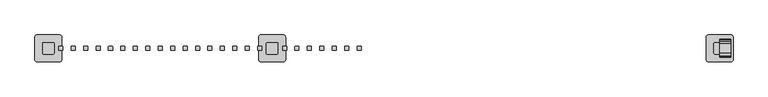
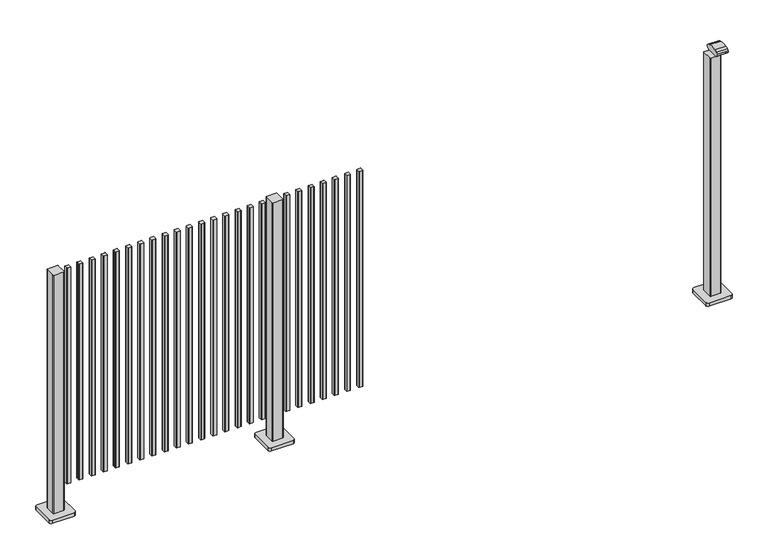
"""IFC4 building model written with IfcOpenShell, lengths in millimetres: railing geometry."""

from ifc_helpers import new_model, si_unit, point, frame, frame_2d, origin, origin_with_axes, place, context, project, spatial, polyline, circle_curve, trimmed, segment, composite_curve, outline, extrude, source, transform, mapped, element, save


def railing_bec77b66(model_context):
    return source(origin(), model_context, "Body", "SweptSolid", [
        extrude(outline(composite_curve([segment(trimmed(circle_curve(frame_2d((5112.6835799, 9093.4508236)), 1.4), [point((5111.2835799, 9093.4508236))], [point((5112.6835799, 9094.8508236))], False, "CARTESIAN"), True, "CONTINUOUS"), segment(polyline([(5112.6835799, 9094.8508236), (5127.8835829, 9094.8508236)]), True, "CONTINUOUS"), segment(trimmed(circle_curve(frame_2d((5127.8835829, 9093.4508236)), 1.4), [point((5127.8835829, 9094.8508236))], [point((5129.2835829, 9093.4508236))], False, "CARTESIAN"), True, "CONTINUOUS"), segment(polyline([(5129.2835829, 9093.4508236), (5129.2835829, 9078.2507846)]), True, "CONTINUOUS"), segment(trimmed(circle_curve(frame_2d((5127.8835829, 9078.2507846)), 1.4), [point((5129.2835829, 9078.2507846))], [point((5127.8835829, 9076.8507846))], False, "CARTESIAN"), True, "CONTINUOUS"), segment(polyline([(5127.8835829, 9076.8507846), (5112.6835799, 9076.8507846)]), True, "CONTINUOUS"), segment(trimmed(circle_curve(frame_2d((5112.6835799, 9078.2507846)), 1.4), [point((5112.6835799, 9076.8507846))], [point((5111.2835799, 9078.2507846))], False, "CARTESIAN"), True, "CONTINUOUS"), segment(polyline([(5111.2835799, 9078.2507846), (5111.2835799, 9093.4508236)]), True, "CONTINUOUS")], self_intersect=False)), frame((0.0, 0.0, 125.0), z_axis=(0.0, 0.0, 1.0), x_axis=(1.0, 0.0, 0.0)), (0.0, 0.0, 1.0), 1043.1238517),
        extrude(outline(composite_curve([segment(trimmed(circle_curve(frame_2d((5057.1280244, 9093.4508236)), 1.4), [point((5055.7280244, 9093.4508236))], [point((5057.1280244, 9094.8508236))], False, "CARTESIAN"), True, "CONTINUOUS"), segment(polyline([(5057.1280244, 9094.8508236), (5072.3280274, 9094.8508236)]), True, "CONTINUOUS"), segment(trimmed(circle_curve(frame_2d((5072.3280274, 9093.4508236)), 1.4), [point((5072.3280274, 9094.8508236))], [point((5073.7280274, 9093.4508236))], False, "CARTESIAN"), True, "CONTINUOUS"), segment(polyline([(5073.7280274, 9093.4508236), (5073.7280274, 9078.2507846)]), True, "CONTINUOUS"), segment(trimmed(circle_curve(frame_2d((5072.3280274, 9078.2507846)), 1.4), [point((5073.7280274, 9078.2507846))], [point((5072.3280274, 9076.8507846))], False, "CARTESIAN"), True, "CONTINUOUS"), segment(polyline([(5072.3280274, 9076.8507846), (5057.1280244, 9076.8507846)]), True, "CONTINUOUS"), segment(trimmed(circle_curve(frame_2d((5057.1280244, 9078.2507846)), 1.4), [point((5057.1280244, 9076.8507846))], [point((5055.7280244, 9078.2507846))], False, "CARTESIAN"), True, "CONTINUOUS"), segment(polyline([(5055.7280244, 9078.2507846), (5055.7280244, 9093.4508236)]), True, "CONTINUOUS")], self_intersect=False)), frame((0.0, 0.0, 125.0), z_axis=(0.0, 0.0, 1.0), x_axis=(1.0, 0.0, 0.0)), (0.0, 0.0, 1.0), 1043.1238517),
        extrude(outline(composite_curve([segment(trimmed(circle_curve(frame_2d((5001.5724688, 9093.4508236)), 1.4), [point((5000.1724688, 9093.4508236))], [point((5001.5724688, 9094.8508236))], False, "CARTESIAN"), True, "CONTINUOUS"), segment(polyline([(5001.5724688, 9094.8508236), (5016.7724718, 9094.8508236)]), True, "CONTINUOUS"), segment(trimmed(circle_curve(frame_2d((5016.7724718, 9093.4508236)), 1.4), [point((5016.7724718, 9094.8508236))], [point((5018.1724718, 9093.4508236))], False, "CARTESIAN"), True, "CONTINUOUS"), segment(polyline([(5018.1724718, 9093.4508236), (5018.1724718, 9078.2507846)]), True, "CONTINUOUS"), segment(trimmed(circle_curve(frame_2d((5016.7724718, 9078.2507846)), 1.4), [point((5018.1724718, 9078.2507846))], [point((5016.7724718, 9076.8507846))], False, "CARTESIAN"), True, "CONTINUOUS"), segment(polyline([(5016.7724718, 9076.8507846), (5001.5724688, 9076.8507846)]), True, "CONTINUOUS"), segment(trimmed(circle_curve(frame_2d((5001.5724688, 9078.2507846)), 1.4), [point((5001.5724688, 9076.8507846))], [point((5000.1724688, 9078.2507846))], False, "CARTESIAN"), True, "CONTINUOUS"), segment(polyline([(5000.1724688, 9078.2507846), (5000.1724688, 9093.4508236)]), True, "CONTINUOUS")], self_intersect=False)), frame((0.0, 0.0, 125.0), z_axis=(0.0, 0.0, 1.0), x_axis=(1.0, 0.0, 0.0)), (0.0, 0.0, 1.0), 1043.1238517),
        extrude(outline(composite_curve([segment(trimmed(circle_curve(frame_2d((4946.0169133, 9093.4508236)), 1.4), [point((4944.6169133, 9093.4508236))], [point((4946.0169133, 9094.8508236))], False, "CARTESIAN"), True, "CONTINUOUS"), segment(polyline([(4946.0169133, 9094.8508236), (4961.2169163, 9094.8508236)]), True, "CONTINUOUS"), segment(trimmed(circle_curve(frame_2d((4961.2169163, 9093.4508236)), 1.4), [point((4961.2169163, 9094.8508236))], [point((4962.6169163, 9093.4508236))], False, "CARTESIAN"), True, "CONTINUOUS"), segment(polyline([(4962.6169163, 9093.4508236), (4962.6169163, 9078.2507846)]), True, "CONTINUOUS"), segment(trimmed(circle_curve(frame_2d((4961.2169163, 9078.2507846)), 1.4), [point((4962.6169163, 9078.2507846))], [point((4961.2169163, 9076.8507846))], False, "CARTESIAN"), True, "CONTINUOUS"), segment(polyline([(4961.2169163, 9076.8507846), (4946.0169133, 9076.8507846)]), True, "CONTINUOUS"), segment(trimmed(circle_curve(frame_2d((4946.0169133, 9078.2507846)), 1.4), [point((4946.0169133, 9076.8507846))], [point((4944.6169133, 9078.2507846))], False, "CARTESIAN"), True, "CONTINUOUS"), segment(polyline([(4944.6169133, 9078.2507846), (4944.6169133, 9093.4508236)]), True, "CONTINUOUS")], self_intersect=False)), frame((0.0, 0.0, 125.0), z_axis=(0.0, 0.0, 1.0), x_axis=(1.0, 0.0, 0.0)), (0.0, 0.0, 1.0), 1043.1238517),
        extrude(outline(composite_curve([segment(trimmed(circle_curve(frame_2d((4890.4613577, 9093.4508236)), 1.4), [point((4889.0613577, 9093.4508236))], [point((4890.4613577, 9094.8508236))], False, "CARTESIAN"), True, "CONTINUOUS"), segment(polyline([(4890.4613577, 9094.8508236), (4905.6613607, 9094.8508236)]), True, "CONTINUOUS"), segment(trimmed(circle_curve(frame_2d((4905.6613607, 9093.4508236)), 1.4), [point((4905.6613607, 9094.8508236))], [point((4907.0613607, 9093.4508236))], False, "CARTESIAN"), True, "CONTINUOUS"), segment(polyline([(4907.0613607, 9093.4508236), (4907.0613607, 9078.2507846)]), True, "CONTINUOUS"), segment(trimmed(circle_curve(frame_2d((4905.6613607, 9078.2507846)), 1.4), [point((4907.0613607, 9078.2507846))], [point((4905.6613607, 9076.8507846))], False, "CARTESIAN"), True, "CONTINUOUS"), segment(polyline([(4905.6613607, 9076.8507846), (4890.4613577, 9076.8507846)]), True, "CONTINUOUS"), segment(trimmed(circle_curve(frame_2d((4890.4613577, 9078.2507846)), 1.4), [point((4890.4613577, 9076.8507846))], [point((4889.0613577, 9078.2507846))], False, "CARTESIAN"), True, "CONTINUOUS"), segment(polyline([(4889.0613577, 9078.2507846), (4889.0613577, 9093.4508236)]), True, "CONTINUOUS")], self_intersect=False)), frame((0.0, 0.0, 125.0), z_axis=(0.0, 0.0, 1.0), x_axis=(1.0, 0.0, 0.0)), (0.0, 0.0, 1.0), 1043.1238517),
        extrude(outline(composite_curve([segment(trimmed(circle_curve(frame_2d((4834.9058021, 9093.4508236)), 1.4), [point((4833.5058021, 9093.4508236))], [point((4834.9058021, 9094.8508236))], False, "CARTESIAN"), True, "CONTINUOUS"), segment(polyline([(4834.9058021, 9094.8508236), (4850.1058051, 9094.8508236)]), True, "CONTINUOUS"), segment(trimmed(circle_curve(frame_2d((4850.1058051, 9093.4508236)), 1.4), [point((4850.1058051, 9094.8508236))], [point((4851.5058051, 9093.4508236))], False, "CARTESIAN"), True, "CONTINUOUS"), segment(polyline([(4851.5058051, 9093.4508236), (4851.5058051, 9078.2507846)]), True, "CONTINUOUS"), segment(trimmed(circle_curve(frame_2d((4850.1058051, 9078.2507846)), 1.4), [point((4851.5058051, 9078.2507846))], [point((4850.1058051, 9076.8507846))], False, "CARTESIAN"), True, "CONTINUOUS"), segment(polyline([(4850.1058051, 9076.8507846), (4834.9058021, 9076.8507846)]), True, "CONTINUOUS"), segment(trimmed(circle_curve(frame_2d((4834.9058021, 9078.2507846)), 1.4), [point((4834.9058021, 9076.8507846))], [point((4833.5058021, 9078.2507846))], False, "CARTESIAN"), True, "CONTINUOUS"), segment(polyline([(4833.5058021, 9078.2507846), (4833.5058021, 9093.4508236)]), True, "CONTINUOUS")], self_intersect=False)), frame((0.0, 0.0, 125.0), z_axis=(0.0, 0.0, 1.0), x_axis=(1.0, 0.0, 0.0)), (0.0, 0.0, 1.0), 1043.1238517),
        extrude(outline(composite_curve([segment(trimmed(circle_curve(frame_2d((4779.3502466, 9093.4508236)), 1.4), [point((4777.9502466, 9093.4508236))], [point((4779.3502466, 9094.8508236))], False, "CARTESIAN"), True, "CONTINUOUS"), segment(polyline([(4779.3502466, 9094.8508236), (4794.5502496, 9094.8508236)]), True, "CONTINUOUS"), segment(trimmed(circle_curve(frame_2d((4794.5502496, 9093.4508236)), 1.4), [point((4794.5502496, 9094.8508236))], [point((4795.9502496, 9093.4508236))], False, "CARTESIAN"), True, "CONTINUOUS"), segment(polyline([(4795.9502496, 9093.4508236), (4795.9502496, 9078.2507846)]), True, "CONTINUOUS"), segment(trimmed(circle_curve(frame_2d((4794.5502496, 9078.2507846)), 1.4), [point((4795.9502496, 9078.2507846))], [point((4794.5502496, 9076.8507846))], False, "CARTESIAN"), True, "CONTINUOUS"), segment(polyline([(4794.5502496, 9076.8507846), (4779.3502466, 9076.8507846)]), True, "CONTINUOUS"), segment(trimmed(circle_curve(frame_2d((4779.3502466, 9078.2507846)), 1.4), [point((4779.3502466, 9076.8507846))], [point((4777.9502466, 9078.2507846))], False, "CARTESIAN"), True, "CONTINUOUS"), segment(polyline([(4777.9502466, 9078.2507846), (4777.9502466, 9093.4508236)]), True, "CONTINUOUS")], self_intersect=False)), frame((0.0, 0.0, 125.0), z_axis=(0.0, 0.0, 1.0), x_axis=(1.0, 0.0, 0.0)), (0.0, 0.0, 1.0), 1043.1238517),
        extrude(outline(composite_curve([segment(trimmed(circle_curve(frame_2d((4708.994681, 9108.2508266)), 3.0), [point((4705.994681, 9108.2508266))], [point((4708.994681, 9111.2508266))], False, "CARTESIAN"), True, "CONTINUOUS"), segment(polyline([(4708.994681, 9111.2508266), (4753.794704, 9111.2508266)]), True, "CONTINUOUS"), segment(trimmed(circle_curve(frame_2d((4753.794704, 9108.2508266)), 3.0), [point((4753.794704, 9111.2508266))], [point((4756.794704, 9108.2508266))], False, "CARTESIAN"), True, "CONTINUOUS"), segment(polyline([(4756.794704, 9108.2508266), (4756.794704, 9063.4508036)]), True, "CONTINUOUS"), segment(trimmed(circle_curve(frame_2d((4753.794704, 9063.4508036)), 3.0), [point((4756.794704, 9063.4508036))], [point((4753.794704, 9060.4508036))], False, "CARTESIAN"), True, "CONTINUOUS"), segment(polyline([(4753.794704, 9060.4508036), (4708.994681, 9060.4508036)]), True, "CONTINUOUS"), segment(trimmed(circle_curve(frame_2d((4708.994681, 9063.4508036)), 3.0), [point((4708.994681, 9060.4508036))], [point((4705.994681, 9063.4508036))], False, "CARTESIAN"), True, "CONTINUOUS"), segment(polyline([(4705.994681, 9063.4508036), (4705.994681, 9108.2508266)]), True, "CONTINUOUS")], self_intersect=False)), frame((0.0, 0.0, 16.0), z_axis=(0.0, 0.0, 1.0), x_axis=(1.0, 0.0, 0.0)), (0.0, 0.0, 1.0), 1152.1238517),
        extrude(outline(composite_curve([segment(trimmed(circle_curve(frame_2d((4681.394681, 9135.8508151)), 10.0), [point((4671.394681, 9135.8508151))], [point((4681.394681, 9145.8508151))], False, "CARTESIAN"), True, "CONTINUOUS"), segment(polyline([(4681.394681, 9145.8508151), (4781.394681, 9145.8508151)]), True, "CONTINUOUS"), segment(trimmed(circle_curve(frame_2d((4781.394681, 9135.8508151)), 10.0), [point((4781.394681, 9145.8508151))], [point((4791.394681, 9135.8508151))], False, "CARTESIAN"), True, "CONTINUOUS"), segment(polyline([(4791.394681, 9135.8508151), (4791.394681, 9035.8508151)]), True, "CONTINUOUS"), segment(trimmed(circle_curve(frame_2d((4781.394681, 9035.8508151)), 10.0), [point((4791.394681, 9035.8508151))], [point((4781.394681, 9025.8508151))], False, "CARTESIAN"), True, "CONTINUOUS"), segment(polyline([(4781.394681, 9025.8508151), (4681.394681, 9025.8508151)]), True, "CONTINUOUS"), segment(trimmed(circle_curve(frame_2d((4681.394681, 9035.8508151)), 10.0), [point((4681.394681, 9025.8508151))], [point((4671.394681, 9035.8508151))], False, "CARTESIAN"), True, "CONTINUOUS"), segment(polyline([(4671.394681, 9035.8508151), (4671.394681, 9135.8508151)]), True, "CONTINUOUS")], self_intersect=False)), origin_with_axes(), (0.0, 0.0, 1.0), 16.0),
        extrude(outline(composite_curve([segment(trimmed(circle_curve(frame_2d((4668.2391355, 9093.4508236)), 1.4), [point((4666.8391355, 9093.4508236))], [point((4668.2391355, 9094.8508236))], False, "CARTESIAN"), True, "CONTINUOUS"), segment(polyline([(4668.2391355, 9094.8508236), (4683.4391385, 9094.8508236)]), True, "CONTINUOUS"), segment(trimmed(circle_curve(frame_2d((4683.4391385, 9093.4508236)), 1.4), [point((4683.4391385, 9094.8508236))], [point((4684.8391385, 9093.4508236))], False, "CARTESIAN"), True, "CONTINUOUS"), segment(polyline([(4684.8391385, 9093.4508236), (4684.8391385, 9078.2507846)]), True, "CONTINUOUS"), segment(trimmed(circle_curve(frame_2d((4683.4391385, 9078.2507846)), 1.4), [point((4684.8391385, 9078.2507846))], [point((4683.4391385, 9076.8507846))], False, "CARTESIAN"), True, "CONTINUOUS"), segment(polyline([(4683.4391385, 9076.8507846), (4668.2391355, 9076.8507846)]), True, "CONTINUOUS"), segment(trimmed(circle_curve(frame_2d((4668.2391355, 9078.2507846)), 1.4), [point((4668.2391355, 9076.8507846))], [point((4666.8391355, 9078.2507846))], False, "CARTESIAN"), True, "CONTINUOUS"), segment(polyline([(4666.8391355, 9078.2507846), (4666.8391355, 9093.4508236)]), True, "CONTINUOUS")], self_intersect=False)), frame((0.0, 0.0, 125.0), z_axis=(0.0, 0.0, 1.0), x_axis=(1.0, 0.0, 0.0)), (0.0, 0.0, 1.0), 1043.1238517),
        extrude(outline(composite_curve([segment(trimmed(circle_curve(frame_2d((4612.6835799, 9093.4508236)), 1.4), [point((4611.2835799, 9093.4508236))], [point((4612.6835799, 9094.8508236))], False, "CARTESIAN"), True, "CONTINUOUS"), segment(polyline([(4612.6835799, 9094.8508236), (4627.8835829, 9094.8508236)]), True, "CONTINUOUS"), segment(trimmed(circle_curve(frame_2d((4627.8835829, 9093.4508236)), 1.4), [point((4627.8835829, 9094.8508236))], [point((4629.2835829, 9093.4508236))], False, "CARTESIAN"), True, "CONTINUOUS"), segment(polyline([(4629.2835829, 9093.4508236), (4629.2835829, 9078.2507846)]), True, "CONTINUOUS"), segment(trimmed(circle_curve(frame_2d((4627.8835829, 9078.2507846)), 1.4), [point((4629.2835829, 9078.2507846))], [point((4627.8835829, 9076.8507846))], False, "CARTESIAN"), True, "CONTINUOUS"), segment(polyline([(4627.8835829, 9076.8507846), (4612.6835799, 9076.8507846)]), True, "CONTINUOUS"), segment(trimmed(circle_curve(frame_2d((4612.6835799, 9078.2507846)), 1.4), [point((4612.6835799, 9076.8507846))], [point((4611.2835799, 9078.2507846))], False, "CARTESIAN"), True, "CONTINUOUS"), segment(polyline([(4611.2835799, 9078.2507846), (4611.2835799, 9093.4508236)]), True, "CONTINUOUS")], self_intersect=False)), frame((0.0, 0.0, 125.0), z_axis=(0.0, 0.0, 1.0), x_axis=(1.0, 0.0, 0.0)), (0.0, 0.0, 1.0), 1043.1238517),
        extrude(outline(composite_curve([segment(trimmed(circle_curve(frame_2d((4557.1280244, 9093.4508236)), 1.4), [point((4555.7280244, 9093.4508236))], [point((4557.1280244, 9094.8508236))], False, "CARTESIAN"), True, "CONTINUOUS"), segment(polyline([(4557.1280244, 9094.8508236), (4572.3280274, 9094.8508236)]), True, "CONTINUOUS"), segment(trimmed(circle_curve(frame_2d((4572.3280274, 9093.4508236)), 1.4), [point((4572.3280274, 9094.8508236))], [point((4573.7280274, 9093.4508236))], False, "CARTESIAN"), True, "CONTINUOUS"), segment(polyline([(4573.7280274, 9093.4508236), (4573.7280274, 9078.2507846)]), True, "CONTINUOUS"), segment(trimmed(circle_curve(frame_2d((4572.3280274, 9078.2507846)), 1.4), [point((4573.7280274, 9078.2507846))], [point((4572.3280274, 9076.8507846))], False, "CARTESIAN"), True, "CONTINUOUS"), segment(polyline([(4572.3280274, 9076.8507846), (4557.1280244, 9076.8507846)]), True, "CONTINUOUS"), segment(trimmed(circle_curve(frame_2d((4557.1280244, 9078.2507846)), 1.4), [point((4557.1280244, 9076.8507846))], [point((4555.7280244, 9078.2507846))], False, "CARTESIAN"), True, "CONTINUOUS"), segment(polyline([(4555.7280244, 9078.2507846), (4555.7280244, 9093.4508236)]), True, "CONTINUOUS")], self_intersect=False)), frame((0.0, 0.0, 125.0), z_axis=(0.0, 0.0, 1.0), x_axis=(1.0, 0.0, 0.0)), (0.0, 0.0, 1.0), 1043.1238517),
        extrude(outline(composite_curve([segment(trimmed(circle_curve(frame_2d((4501.5724688, 9093.4508236)), 1.4), [point((4500.1724688, 9093.4508236))], [point((4501.5724688, 9094.8508236))], False, "CARTESIAN"), True, "CONTINUOUS"), segment(polyline([(4501.5724688, 9094.8508236), (4516.7724718, 9094.8508236)]), True, "CONTINUOUS"), segment(trimmed(circle_curve(frame_2d((4516.7724718, 9093.4508236)), 1.4), [point((4516.7724718, 9094.8508236))], [point((4518.1724718, 9093.4508236))], False, "CARTESIAN"), True, "CONTINUOUS"), segment(polyline([(4518.1724718, 9093.4508236), (4518.1724718, 9078.2507846)]), True, "CONTINUOUS"), segment(trimmed(circle_curve(frame_2d((4516.7724718, 9078.2507846)), 1.4), [point((4518.1724718, 9078.2507846))], [point((4516.7724718, 9076.8507846))], False, "CARTESIAN"), True, "CONTINUOUS"), segment(polyline([(4516.7724718, 9076.8507846), (4501.5724688, 9076.8507846)]), True, "CONTINUOUS"), segment(trimmed(circle_curve(frame_2d((4501.5724688, 9078.2507846)), 1.4), [point((4501.5724688, 9076.8507846))], [point((4500.1724688, 9078.2507846))], False, "CARTESIAN"), True, "CONTINUOUS"), segment(polyline([(4500.1724688, 9078.2507846), (4500.1724688, 9093.4508236)]), True, "CONTINUOUS")], self_intersect=False)), frame((0.0, 0.0, 125.0), z_axis=(0.0, 0.0, 1.0), x_axis=(1.0, 0.0, 0.0)), (0.0, 0.0, 1.0), 1043.1238517),
        extrude(outline(composite_curve([segment(trimmed(circle_curve(frame_2d((4446.0169133, 9093.4508236)), 1.4), [point((4444.6169133, 9093.4508236))], [point((4446.0169133, 9094.8508236))], False, "CARTESIAN"), True, "CONTINUOUS"), segment(polyline([(4446.0169133, 9094.8508236), (4461.2169163, 9094.8508236)]), True, "CONTINUOUS"), segment(trimmed(circle_curve(frame_2d((4461.2169163, 9093.4508236)), 1.4), [point((4461.2169163, 9094.8508236))], [point((4462.6169163, 9093.4508236))], False, "CARTESIAN"), True, "CONTINUOUS"), segment(polyline([(4462.6169163, 9093.4508236), (4462.6169163, 9078.2507846)]), True, "CONTINUOUS"), segment(trimmed(circle_curve(frame_2d((4461.2169163, 9078.2507846)), 1.4), [point((4462.6169163, 9078.2507846))], [point((4461.2169163, 9076.8507846))], False, "CARTESIAN"), True, "CONTINUOUS"), segment(polyline([(4461.2169163, 9076.8507846), (4446.0169133, 9076.8507846)]), True, "CONTINUOUS"), segment(trimmed(circle_curve(frame_2d((4446.0169133, 9078.2507846)), 1.4), [point((4446.0169133, 9076.8507846))], [point((4444.6169133, 9078.2507846))], False, "CARTESIAN"), True, "CONTINUOUS"), segment(polyline([(4444.6169133, 9078.2507846), (4444.6169133, 9093.4508236)]), True, "CONTINUOUS")], self_intersect=False)), frame((0.0, 0.0, 125.0), z_axis=(0.0, 0.0, 1.0), x_axis=(1.0, 0.0, 0.0)), (0.0, 0.0, 1.0), 1043.1238517),
        extrude(outline(composite_curve([segment(trimmed(circle_curve(frame_2d((4390.4613577, 9093.4508236)), 1.4), [point((4389.0613577, 9093.4508236))], [point((4390.4613577, 9094.8508236))], False, "CARTESIAN"), True, "CONTINUOUS"), segment(polyline([(4390.4613577, 9094.8508236), (4405.6613607, 9094.8508236)]), True, "CONTINUOUS"), segment(trimmed(circle_curve(frame_2d((4405.6613607, 9093.4508236)), 1.4), [point((4405.6613607, 9094.8508236))], [point((4407.0613607, 9093.4508236))], False, "CARTESIAN"), True, "CONTINUOUS"), segment(polyline([(4407.0613607, 9093.4508236), (4407.0613607, 9078.2507846)]), True, "CONTINUOUS"), segment(trimmed(circle_curve(frame_2d((4405.6613607, 9078.2507846)), 1.4), [point((4407.0613607, 9078.2507846))], [point((4405.6613607, 9076.8507846))], False, "CARTESIAN"), True, "CONTINUOUS"), segment(polyline([(4405.6613607, 9076.8507846), (4390.4613577, 9076.8507846)]), True, "CONTINUOUS"), segment(trimmed(circle_curve(frame_2d((4390.4613577, 9078.2507846)), 1.4), [point((4390.4613577, 9076.8507846))], [point((4389.0613577, 9078.2507846))], False, "CARTESIAN"), True, "CONTINUOUS"), segment(polyline([(4389.0613577, 9078.2507846), (4389.0613577, 9093.4508236)]), True, "CONTINUOUS")], self_intersect=False)), frame((0.0, 0.0, 125.0), z_axis=(0.0, 0.0, 1.0), x_axis=(1.0, 0.0, 0.0)), (0.0, 0.0, 1.0), 1043.1238517),
        extrude(outline(composite_curve([segment(trimmed(circle_curve(frame_2d((4334.9058021, 9093.4508236)), 1.4), [point((4333.5058021, 9093.4508236))], [point((4334.9058021, 9094.8508236))], False, "CARTESIAN"), True, "CONTINUOUS"), segment(polyline([(4334.9058021, 9094.8508236), (4350.1058051, 9094.8508236)]), True, "CONTINUOUS"), segment(trimmed(circle_curve(frame_2d((4350.1058051, 9093.4508236)), 1.4), [point((4350.1058051, 9094.8508236))], [point((4351.5058051, 9093.4508236))], False, "CARTESIAN"), True, "CONTINUOUS"), segment(polyline([(4351.5058051, 9093.4508236), (4351.5058051, 9078.2507846)]), True, "CONTINUOUS"), segment(trimmed(circle_curve(frame_2d((4350.1058051, 9078.2507846)), 1.4), [point((4351.5058051, 9078.2507846))], [point((4350.1058051, 9076.8507846))], False, "CARTESIAN"), True, "CONTINUOUS"), segment(polyline([(4350.1058051, 9076.8507846), (4334.9058021, 9076.8507846)]), True, "CONTINUOUS"), segment(trimmed(circle_curve(frame_2d((4334.9058021, 9078.2507846)), 1.4), [point((4334.9058021, 9076.8507846))], [point((4333.5058021, 9078.2507846))], False, "CARTESIAN"), True, "CONTINUOUS"), segment(polyline([(4333.5058021, 9078.2507846), (4333.5058021, 9093.4508236)]), True, "CONTINUOUS")], self_intersect=False)), frame((0.0, 0.0, 125.0), z_axis=(0.0, 0.0, 1.0), x_axis=(1.0, 0.0, 0.0)), (0.0, 0.0, 1.0), 1043.1238517),
        extrude(outline(composite_curve([segment(trimmed(circle_curve(frame_2d((4279.3502466, 9093.4508236)), 1.4), [point((4277.9502466, 9093.4508236))], [point((4279.3502466, 9094.8508236))], False, "CARTESIAN"), True, "CONTINUOUS"), segment(polyline([(4279.3502466, 9094.8508236), (4294.5502496, 9094.8508236)]), True, "CONTINUOUS"), segment(trimmed(circle_curve(frame_2d((4294.5502496, 9093.4508236)), 1.4), [point((4294.5502496, 9094.8508236))], [point((4295.9502496, 9093.4508236))], False, "CARTESIAN"), True, "CONTINUOUS"), segment(polyline([(4295.9502496, 9093.4508236), (4295.9502496, 9078.2507846)]), True, "CONTINUOUS"), segment(trimmed(circle_curve(frame_2d((4294.5502496, 9078.2507846)), 1.4), [point((4295.9502496, 9078.2507846))], [point((4294.5502496, 9076.8507846))], False, "CARTESIAN"), True, "CONTINUOUS"), segment(polyline([(4294.5502496, 9076.8507846), (4279.3502466, 9076.8507846)]), True, "CONTINUOUS"), segment(trimmed(circle_curve(frame_2d((4279.3502466, 9078.2507846)), 1.4), [point((4279.3502466, 9076.8507846))], [point((4277.9502466, 9078.2507846))], False, "CARTESIAN"), True, "CONTINUOUS"), segment(polyline([(4277.9502466, 9078.2507846), (4277.9502466, 9093.4508236)]), True, "CONTINUOUS")], self_intersect=False)), frame((0.0, 0.0, 125.0), z_axis=(0.0, 0.0, 1.0), x_axis=(1.0, 0.0, 0.0)), (0.0, 0.0, 1.0), 1043.1238517),
        extrude(outline(composite_curve([segment(trimmed(circle_curve(frame_2d((4223.794691, 9093.4508236)), 1.4), [point((4222.394691, 9093.4508236))], [point((4223.794691, 9094.8508236))], False, "CARTESIAN"), True, "CONTINUOUS"), segment(polyline([(4223.794691, 9094.8508236), (4238.994694, 9094.8508236)]), True, "CONTINUOUS"), segment(trimmed(circle_curve(frame_2d((4238.994694, 9093.4508236)), 1.4), [point((4238.994694, 9094.8508236))], [point((4240.394694, 9093.4508236))], False, "CARTESIAN"), True, "CONTINUOUS"), segment(polyline([(4240.394694, 9093.4508236), (4240.394694, 9078.2507846)]), True, "CONTINUOUS"), segment(trimmed(circle_curve(frame_2d((4238.994694, 9078.2507846)), 1.4), [point((4240.394694, 9078.2507846))], [point((4238.994694, 9076.8507846))], False, "CARTESIAN"), True, "CONTINUOUS"), segment(polyline([(4238.994694, 9076.8507846), (4223.794691, 9076.8507846)]), True, "CONTINUOUS"), segment(trimmed(circle_curve(frame_2d((4223.794691, 9078.2507846)), 1.4), [point((4223.794691, 9076.8507846))], [point((4222.394691, 9078.2507846))], False, "CARTESIAN"), True, "CONTINUOUS"), segment(polyline([(4222.394691, 9078.2507846), (4222.394691, 9093.4508236)]), True, "CONTINUOUS")], self_intersect=False)), frame((0.0, 0.0, 125.0), z_axis=(0.0, 0.0, 1.0), x_axis=(1.0, 0.0, 0.0)), (0.0, 0.0, 1.0), 1043.1238517),
        extrude(outline(composite_curve([segment(trimmed(circle_curve(frame_2d((4168.2391355, 9093.4508236)), 1.4), [point((4166.8391355, 9093.4508236))], [point((4168.2391355, 9094.8508236))], False, "CARTESIAN"), True, "CONTINUOUS"), segment(polyline([(4168.2391355, 9094.8508236), (4183.4391385, 9094.8508236)]), True, "CONTINUOUS"), segment(trimmed(circle_curve(frame_2d((4183.4391385, 9093.4508236)), 1.4), [point((4183.4391385, 9094.8508236))], [point((4184.8391385, 9093.4508236))], False, "CARTESIAN"), True, "CONTINUOUS"), segment(polyline([(4184.8391385, 9093.4508236), (4184.8391385, 9078.2507846)]), True, "CONTINUOUS"), segment(trimmed(circle_curve(frame_2d((4183.4391385, 9078.2507846)), 1.4), [point((4184.8391385, 9078.2507846))], [point((4183.4391385, 9076.8507846))], False, "CARTESIAN"), True, "CONTINUOUS"), segment(polyline([(4183.4391385, 9076.8507846), (4168.2391355, 9076.8507846)]), True, "CONTINUOUS"), segment(trimmed(circle_curve(frame_2d((4168.2391355, 9078.2507846)), 1.4), [point((4168.2391355, 9076.8507846))], [point((4166.8391355, 9078.2507846))], False, "CARTESIAN"), True, "CONTINUOUS"), segment(polyline([(4166.8391355, 9078.2507846), (4166.8391355, 9093.4508236)]), True, "CONTINUOUS")], self_intersect=False)), frame((0.0, 0.0, 125.0), z_axis=(0.0, 0.0, 1.0), x_axis=(1.0, 0.0, 0.0)), (0.0, 0.0, 1.0), 1043.1238517),
        extrude(outline(composite_curve([segment(trimmed(circle_curve(frame_2d((4112.6835799, 9093.4508236)), 1.4), [point((4111.2835799, 9093.4508236))], [point((4112.6835799, 9094.8508236))], False, "CARTESIAN"), True, "CONTINUOUS"), segment(polyline([(4112.6835799, 9094.8508236), (4127.8835829, 9094.8508236)]), True, "CONTINUOUS"), segment(trimmed(circle_curve(frame_2d((4127.8835829, 9093.4508236)), 1.4), [point((4127.8835829, 9094.8508236))], [point((4129.2835829, 9093.4508236))], False, "CARTESIAN"), True, "CONTINUOUS"), segment(polyline([(4129.2835829, 9093.4508236), (4129.2835829, 9078.2507846)]), True, "CONTINUOUS"), segment(trimmed(circle_curve(frame_2d((4127.8835829, 9078.2507846)), 1.4), [point((4129.2835829, 9078.2507846))], [point((4127.8835829, 9076.8507846))], False, "CARTESIAN"), True, "CONTINUOUS"), segment(polyline([(4127.8835829, 9076.8507846), (4112.6835799, 9076.8507846)]), True, "CONTINUOUS"), segment(trimmed(circle_curve(frame_2d((4112.6835799, 9078.2507846)), 1.4), [point((4112.6835799, 9076.8507846))], [point((4111.2835799, 9078.2507846))], False, "CARTESIAN"), True, "CONTINUOUS"), segment(polyline([(4111.2835799, 9078.2507846), (4111.2835799, 9093.4508236)]), True, "CONTINUOUS")], self_intersect=False)), frame((0.0, 0.0, 125.0), z_axis=(0.0, 0.0, 1.0), x_axis=(1.0, 0.0, 0.0)), (0.0, 0.0, 1.0), 1043.1238517),
        extrude(outline(composite_curve([segment(trimmed(circle_curve(frame_2d((4057.1280244, 9093.4508236)), 1.4), [point((4055.7280244, 9093.4508236))], [point((4057.1280244, 9094.8508236))], False, "CARTESIAN"), True, "CONTINUOUS"), segment(polyline([(4057.1280244, 9094.8508236), (4072.3280274, 9094.8508236)]), True, "CONTINUOUS"), segment(trimmed(circle_curve(frame_2d((4072.3280274, 9093.4508236)), 1.4), [point((4072.3280274, 9094.8508236))], [point((4073.7280274, 9093.4508236))], False, "CARTESIAN"), True, "CONTINUOUS"), segment(polyline([(4073.7280274, 9093.4508236), (4073.7280274, 9078.2507846)]), True, "CONTINUOUS"), segment(trimmed(circle_curve(frame_2d((4072.3280274, 9078.2507846)), 1.4), [point((4073.7280274, 9078.2507846))], [point((4072.3280274, 9076.8507846))], False, "CARTESIAN"), True, "CONTINUOUS"), segment(polyline([(4072.3280274, 9076.8507846), (4057.1280244, 9076.8507846)]), True, "CONTINUOUS"), segment(trimmed(circle_curve(frame_2d((4057.1280244, 9078.2507846)), 1.4), [point((4057.1280244, 9076.8507846))], [point((4055.7280244, 9078.2507846))], False, "CARTESIAN"), True, "CONTINUOUS"), segment(polyline([(4055.7280244, 9078.2507846), (4055.7280244, 9093.4508236)]), True, "CONTINUOUS")], self_intersect=False)), frame((0.0, 0.0, 125.0), z_axis=(0.0, 0.0, 1.0), x_axis=(1.0, 0.0, 0.0)), (0.0, 0.0, 1.0), 1043.1238517),
        extrude(outline(composite_curve([segment(trimmed(circle_curve(frame_2d((4001.5724688, 9093.4508236)), 1.4), [point((4000.1724688, 9093.4508236))], [point((4001.5724688, 9094.8508236))], False, "CARTESIAN"), True, "CONTINUOUS"), segment(polyline([(4001.5724688, 9094.8508236), (4016.7724718, 9094.8508236)]), True, "CONTINUOUS"), segment(trimmed(circle_curve(frame_2d((4016.7724718, 9093.4508236)), 1.4), [point((4016.7724718, 9094.8508236))], [point((4018.1724718, 9093.4508236))], False, "CARTESIAN"), True, "CONTINUOUS"), segment(polyline([(4018.1724718, 9093.4508236), (4018.1724718, 9078.2507846)]), True, "CONTINUOUS"), segment(trimmed(circle_curve(frame_2d((4016.7724718, 9078.2507846)), 1.4), [point((4018.1724718, 9078.2507846))], [point((4016.7724718, 9076.8507846))], False, "CARTESIAN"), True, "CONTINUOUS"), segment(polyline([(4016.7724718, 9076.8507846), (4001.5724688, 9076.8507846)]), True, "CONTINUOUS"), segment(trimmed(circle_curve(frame_2d((4001.5724688, 9078.2507846)), 1.4), [point((4001.5724688, 9076.8507846))], [point((4000.1724688, 9078.2507846))], False, "CARTESIAN"), True, "CONTINUOUS"), segment(polyline([(4000.1724688, 9078.2507846), (4000.1724688, 9093.4508236)]), True, "CONTINUOUS")], self_intersect=False)), frame((0.0, 0.0, 125.0), z_axis=(0.0, 0.0, 1.0), x_axis=(1.0, 0.0, 0.0)), (0.0, 0.0, 1.0), 1043.1238517),
        extrude(outline(composite_curve([segment(trimmed(circle_curve(frame_2d((3946.0169133, 9093.4508236)), 1.4), [point((3944.6169133, 9093.4508236))], [point((3946.0169133, 9094.8508236))], False, "CARTESIAN"), True, "CONTINUOUS"), segment(polyline([(3946.0169133, 9094.8508236), (3961.2169163, 9094.8508236)]), True, "CONTINUOUS"), segment(trimmed(circle_curve(frame_2d((3961.2169163, 9093.4508236)), 1.4), [point((3961.2169163, 9094.8508236))], [point((3962.6169163, 9093.4508236))], False, "CARTESIAN"), True, "CONTINUOUS"), segment(polyline([(3962.6169163, 9093.4508236), (3962.6169163, 9078.2507846)]), True, "CONTINUOUS"), segment(trimmed(circle_curve(frame_2d((3961.2169163, 9078.2507846)), 1.4), [point((3962.6169163, 9078.2507846))], [point((3961.2169163, 9076.8507846))], False, "CARTESIAN"), True, "CONTINUOUS"), segment(polyline([(3961.2169163, 9076.8507846), (3946.0169133, 9076.8507846)]), True, "CONTINUOUS"), segment(trimmed(circle_curve(frame_2d((3946.0169133, 9078.2507846)), 1.4), [point((3946.0169133, 9076.8507846))], [point((3944.6169133, 9078.2507846))], False, "CARTESIAN"), True, "CONTINUOUS"), segment(polyline([(3944.6169133, 9078.2507846), (3944.6169133, 9093.4508236)]), True, "CONTINUOUS")], self_intersect=False)), frame((0.0, 0.0, 125.0), z_axis=(0.0, 0.0, 1.0), x_axis=(1.0, 0.0, 0.0)), (0.0, 0.0, 1.0), 1043.1238517),
        extrude(outline(composite_curve([segment(trimmed(circle_curve(frame_2d((3890.4613577, 9093.4508236)), 1.4), [point((3889.0613577, 9093.4508236))], [point((3890.4613577, 9094.8508236))], False, "CARTESIAN"), True, "CONTINUOUS"), segment(polyline([(3890.4613577, 9094.8508236), (3905.6613607, 9094.8508236)]), True, "CONTINUOUS"), segment(trimmed(circle_curve(frame_2d((3905.6613607, 9093.4508236)), 1.4), [point((3905.6613607, 9094.8508236))], [point((3907.0613607, 9093.4508236))], False, "CARTESIAN"), True, "CONTINUOUS"), segment(polyline([(3907.0613607, 9093.4508236), (3907.0613607, 9078.2507846)]), True, "CONTINUOUS"), segment(trimmed(circle_curve(frame_2d((3905.6613607, 9078.2507846)), 1.4), [point((3907.0613607, 9078.2507846))], [point((3905.6613607, 9076.8507846))], False, "CARTESIAN"), True, "CONTINUOUS"), segment(polyline([(3905.6613607, 9076.8507846), (3890.4613577, 9076.8507846)]), True, "CONTINUOUS"), segment(trimmed(circle_curve(frame_2d((3890.4613577, 9078.2507846)), 1.4), [point((3890.4613577, 9076.8507846))], [point((3889.0613577, 9078.2507846))], False, "CARTESIAN"), True, "CONTINUOUS"), segment(polyline([(3889.0613577, 9078.2507846), (3889.0613577, 9093.4508236)]), True, "CONTINUOUS")], self_intersect=False)), frame((0.0, 0.0, 125.0), z_axis=(0.0, 0.0, 1.0), x_axis=(1.0, 0.0, 0.0)), (0.0, 0.0, 1.0), 1043.1238517),
        extrude(outline(composite_curve([segment(trimmed(circle_curve(frame_2d((3834.9058021, 9093.4508236)), 1.4), [point((3833.5058021, 9093.4508236))], [point((3834.9058021, 9094.8508236))], False, "CARTESIAN"), True, "CONTINUOUS"), segment(polyline([(3834.9058021, 9094.8508236), (3850.1058051, 9094.8508236)]), True, "CONTINUOUS"), segment(trimmed(circle_curve(frame_2d((3850.1058051, 9093.4508236)), 1.4), [point((3850.1058051, 9094.8508236))], [point((3851.5058051, 9093.4508236))], False, "CARTESIAN"), True, "CONTINUOUS"), segment(polyline([(3851.5058051, 9093.4508236), (3851.5058051, 9078.2507846)]), True, "CONTINUOUS"), segment(trimmed(circle_curve(frame_2d((3850.1058051, 9078.2507846)), 1.4), [point((3851.5058051, 9078.2507846))], [point((3850.1058051, 9076.8507846))], False, "CARTESIAN"), True, "CONTINUOUS"), segment(polyline([(3850.1058051, 9076.8507846), (3834.9058021, 9076.8507846)]), True, "CONTINUOUS"), segment(trimmed(circle_curve(frame_2d((3834.9058021, 9078.2507846)), 1.4), [point((3834.9058021, 9076.8507846))], [point((3833.5058021, 9078.2507846))], False, "CARTESIAN"), True, "CONTINUOUS"), segment(polyline([(3833.5058021, 9078.2507846), (3833.5058021, 9093.4508236)]), True, "CONTINUOUS")], self_intersect=False)), frame((0.0, 0.0, 125.0), z_axis=(0.0, 0.0, 1.0), x_axis=(1.0, 0.0, 0.0)), (0.0, 0.0, 1.0), 1043.1238517),
        extrude(outline(composite_curve([segment(trimmed(circle_curve(frame_2d((3779.3502466, 9093.4508236)), 1.4), [point((3777.9502466, 9093.4508236))], [point((3779.3502466, 9094.8508236))], False, "CARTESIAN"), True, "CONTINUOUS"), segment(polyline([(3779.3502466, 9094.8508236), (3794.5502496, 9094.8508236)]), True, "CONTINUOUS"), segment(trimmed(circle_curve(frame_2d((3794.5502496, 9093.4508236)), 1.4), [point((3794.5502496, 9094.8508236))], [point((3795.9502496, 9093.4508236))], False, "CARTESIAN"), True, "CONTINUOUS"), segment(polyline([(3795.9502496, 9093.4508236), (3795.9502496, 9078.2507846)]), True, "CONTINUOUS"), segment(trimmed(circle_curve(frame_2d((3794.5502496, 9078.2507846)), 1.4), [point((3795.9502496, 9078.2507846))], [point((3794.5502496, 9076.8507846))], False, "CARTESIAN"), True, "CONTINUOUS"), segment(polyline([(3794.5502496, 9076.8507846), (3779.3502466, 9076.8507846)]), True, "CONTINUOUS"), segment(trimmed(circle_curve(frame_2d((3779.3502466, 9078.2507846)), 1.4), [point((3779.3502466, 9076.8507846))], [point((3777.9502466, 9078.2507846))], False, "CARTESIAN"), True, "CONTINUOUS"), segment(polyline([(3777.9502466, 9078.2507846), (3777.9502466, 9093.4508236)]), True, "CONTINUOUS")], self_intersect=False)), frame((0.0, 0.0, 125.0), z_axis=(0.0, 0.0, 1.0), x_axis=(1.0, 0.0, 0.0)), (0.0, 0.0, 1.0), 1043.1238517),
        extrude(outline(composite_curve([segment(trimmed(circle_curve(frame_2d((6708.994681, 9108.2508266)), 3.0), [point((6705.994681, 9108.2508266))], [point((6708.994681, 9111.2508266))], False, "CARTESIAN"), True, "CONTINUOUS"), segment(polyline([(6708.994681, 9111.2508266), (6753.794704, 9111.2508266)]), True, "CONTINUOUS"), segment(trimmed(circle_curve(frame_2d((6753.794704, 9108.2508266)), 3.0), [point((6753.794704, 9111.2508266))], [point((6756.794704, 9108.2508266))], False, "CARTESIAN"), True, "CONTINUOUS"), segment(polyline([(6756.794704, 9108.2508266), (6756.794704, 9063.4508036)]), True, "CONTINUOUS"), segment(trimmed(circle_curve(frame_2d((6753.794704, 9063.4508036)), 3.0), [point((6756.794704, 9063.4508036))], [point((6753.794704, 9060.4508036))], False, "CARTESIAN"), True, "CONTINUOUS"), segment(polyline([(6753.794704, 9060.4508036), (6708.994681, 9060.4508036)]), True, "CONTINUOUS"), segment(trimmed(circle_curve(frame_2d((6708.994681, 9063.4508036)), 3.0), [point((6708.994681, 9060.4508036))], [point((6705.994681, 9063.4508036))], False, "CARTESIAN"), True, "CONTINUOUS"), segment(polyline([(6705.994681, 9063.4508036), (6705.994681, 9108.2508266)]), True, "CONTINUOUS")], self_intersect=False)), frame((0.0, 0.0, 16.0), z_axis=(0.0, 0.0, 1.0), x_axis=(1.0, 0.0, 0.0)), (0.0, 0.0, 1.0), 1152.1238517),
        extrude(outline(composite_curve([segment(trimmed(circle_curve(frame_2d((6681.394681, 9135.8508151)), 10.0), [point((6671.394681, 9135.8508151))], [point((6681.394681, 9145.8508151))], False, "CARTESIAN"), True, "CONTINUOUS"), segment(polyline([(6681.394681, 9145.8508151), (6781.394681, 9145.8508151)]), True, "CONTINUOUS"), segment(trimmed(circle_curve(frame_2d((6781.394681, 9135.8508151)), 10.0), [point((6781.394681, 9145.8508151))], [point((6791.394681, 9135.8508151))], False, "CARTESIAN"), True, "CONTINUOUS"), segment(polyline([(6791.394681, 9135.8508151), (6791.394681, 9035.8508151)]), True, "CONTINUOUS"), segment(trimmed(circle_curve(frame_2d((6781.394681, 9035.8508151)), 10.0), [point((6791.394681, 9035.8508151))], [point((6781.394681, 9025.8508151))], False, "CARTESIAN"), True, "CONTINUOUS"), segment(polyline([(6781.394681, 9025.8508151), (6681.394681, 9025.8508151)]), True, "CONTINUOUS"), segment(trimmed(circle_curve(frame_2d((6681.394681, 9035.8508151)), 10.0), [point((6681.394681, 9025.8508151))], [point((6671.394681, 9035.8508151))], False, "CARTESIAN"), True, "CONTINUOUS"), segment(polyline([(6671.394681, 9035.8508151), (6671.394681, 9135.8508151)]), True, "CONTINUOUS")], self_intersect=False)), origin_with_axes(), (0.0, 0.0, 1.0), 16.0),
        extrude(outline(composite_curve([segment(trimmed(circle_curve(frame_2d((9095.3619413, 1153.7397763)), 44.999996), [point((9106.0673858, 1197.4478202))], [point((9118.2601573, 1192.4782759))], False, "CARTESIAN"), True, "CONTINUOUS"), segment(trimmed(circle_curve(frame_2d((9109.6097194, 1177.8437303)), 17.0), [point((9118.2601573, 1192.4782759))], [point((9124.1544589, 1186.64433))], False, "CARTESIAN"), True, "CONTINUOUS"), segment(trimmed(circle_curve(frame_2d((9117.0959826, 1182.3734509)), 8.2499997), [point((9124.1544589, 1186.64433))], [point((9124.1544535, 1178.1025629))], False, "CARTESIAN"), True, "CONTINUOUS"), segment(trimmed(circle_curve(frame_2d((9109.6097251, 1186.9031808)), 17.0), [point((9124.1544535, 1178.1025629))], [point((9118.2601665, 1172.2686373))], False, "CARTESIAN"), True, "CONTINUOUS"), segment(trimmed(circle_curve(frame_2d((9095.3619413, 1211.0071314)), 44.999996), [point((9118.2601665, 1172.2686373))], [point((9113.7876029, 1169.9523554))], False, "CARTESIAN"), True, "CONTINUOUS"), segment(trimmed(circle_curve(frame_2d((9113.1786159, 1172.0517067)), 2.185896), [point((9113.7876029, 1169.9523554))], [point((9112.9960148, 1169.873451))], False, "CARTESIAN"), True, "CONTINUOUS"), segment(trimmed(circle_curve(frame_2d((9112.9960148, 1170.773451)), 0.9), [point((9112.9960148, 1169.873451))], [point((9112.0981091, 1170.7120879))], False, "CARTESIAN"), True, "CONTINUOUS"), segment(trimmed(circle_curve(frame_2d((9111.5194733, 1170.7120879)), 0.5786359), [point((9112.0981091, 1170.7120879))], [point((9111.5194733, 1170.133452))], False, "CARTESIAN"), True, "CONTINUOUS"), segment(polyline([(9111.5194733, 1170.133452), (9094.5751393, 1170.133452)]), True, "CONTINUOUS"), segment(trimmed(circle_curve(frame_2d((9085.8508208, 1187.012024)), 18.999998), [point((9094.5751393, 1170.133452))], [point((9077.1265024, 1170.133452))], False, "CARTESIAN"), True, "CONTINUOUS"), segment(polyline([(9077.1265024, 1170.133452), (9060.1821348, 1170.133452)]), True, "CONTINUOUS"), segment(trimmed(circle_curve(frame_2d((9060.1821348, 1170.7120879)), 0.5786359), [point((9060.1821348, 1170.133452))], [point((9059.603499, 1170.7120879))], False, "CARTESIAN"), True, "CONTINUOUS"), segment(trimmed(circle_curve(frame_2d((9058.7055933, 1170.773451)), 0.9), [point((9059.603499, 1170.7120879))], [point((9058.7055933, 1169.873451))], False, "CARTESIAN"), True, "CONTINUOUS"), segment(trimmed(circle_curve(frame_2d((9058.5229922, 1172.0517067)), 2.185896), [point((9058.7055933, 1169.873451))], [point((9057.9140052, 1169.9523554))], False, "CARTESIAN"), True, "CONTINUOUS"), segment(trimmed(circle_curve(frame_2d((9076.3396668, 1211.0071314)), 44.999996), [point((9057.9140052, 1169.9523554))], [point((9053.8767914, 1172.0145825))], False, "CARTESIAN"), True, "CONTINUOUS"), segment(trimmed(circle_curve(frame_2d((9062.082215, 1186.9032031)), 17.0), [point((9053.8767914, 1172.0145825))], [point((9047.5375128, 1178.1025419))], False, "CARTESIAN"), True, "CONTINUOUS"), segment(trimmed(circle_curve(frame_2d((9054.595971, 1182.3734509)), 8.2499997), [point((9047.5375128, 1178.1025419))], [point((9047.5375074, 1186.644351))], False, "CARTESIAN"), True, "CONTINUOUS"), segment(trimmed(circle_curve(frame_2d((9062.0822207, 1177.843708)), 17.0), [point((9047.5375074, 1186.644351))], [point((9053.4317599, 1192.4782401))], False, "CARTESIAN"), True, "CONTINUOUS"), segment(trimmed(circle_curve(frame_2d((9076.3300365, 1153.7397763)), 44.999996), [point((9053.4317599, 1192.4782401))], [point((9065.624592, 1197.4478202))], False, "CARTESIAN"), True, "CONTINUOUS"), segment(trimmed(circle_curve(frame_2d((9085.8459889, 1114.8881745)), 85.0), [point((9065.624592, 1197.4478202))], [point((9106.0673858, 1197.4478202))], False, "CARTESIAN"), True, "CONTINUOUS")], self_intersect=False)), frame((6731.3946925, 0.0, 0.0), z_axis=(1.0, 0.0, 0.0), x_axis=(0.0, 1.0, 0.0)), (0.0, 0.0, 1.0), 50.0),
        extrude(outline(composite_curve([segment(trimmed(circle_curve(frame_2d((3708.994681, 9108.2508266)), 3.0), [point((3705.994681, 9108.2508266))], [point((3708.994681, 9111.2508266))], False, "CARTESIAN"), True, "CONTINUOUS"), segment(polyline([(3708.994681, 9111.2508266), (3753.794704, 9111.2508266)]), True, "CONTINUOUS"), segment(trimmed(circle_curve(frame_2d((3753.794704, 9108.2508266)), 3.0), [point((3753.794704, 9111.2508266))], [point((3756.794704, 9108.2508266))], False, "CARTESIAN"), True, "CONTINUOUS"), segment(polyline([(3756.794704, 9108.2508266), (3756.794704, 9063.4508036)]), True, "CONTINUOUS"), segment(trimmed(circle_curve(frame_2d((3753.794704, 9063.4508036)), 3.0), [point((3756.794704, 9063.4508036))], [point((3753.794704, 9060.4508036))], False, "CARTESIAN"), True, "CONTINUOUS"), segment(polyline([(3753.794704, 9060.4508036), (3708.994681, 9060.4508036)]), True, "CONTINUOUS"), segment(trimmed(circle_curve(frame_2d((3708.994681, 9063.4508036)), 3.0), [point((3708.994681, 9060.4508036))], [point((3705.994681, 9063.4508036))], False, "CARTESIAN"), True, "CONTINUOUS"), segment(polyline([(3705.994681, 9063.4508036), (3705.994681, 9108.2508266)]), True, "CONTINUOUS")], self_intersect=False)), frame((0.0, 0.0, 16.0), z_axis=(0.0, 0.0, 1.0), x_axis=(1.0, 0.0, 0.0)), (0.0, 0.0, 1.0), 1152.1238517),
        extrude(outline(composite_curve([segment(trimmed(circle_curve(frame_2d((3681.394681, 9135.8508151)), 10.0), [point((3671.394681, 9135.8508151))], [point((3681.394681, 9145.8508151))], False, "CARTESIAN"), True, "CONTINUOUS"), segment(polyline([(3681.394681, 9145.8508151), (3781.394681, 9145.8508151)]), True, "CONTINUOUS"), segment(trimmed(circle_curve(frame_2d((3781.394681, 9135.8508151)), 10.0), [point((3781.394681, 9145.8508151))], [point((3791.394681, 9135.8508151))], False, "CARTESIAN"), True, "CONTINUOUS"), segment(polyline([(3791.394681, 9135.8508151), (3791.394681, 9035.8508151)]), True, "CONTINUOUS"), segment(trimmed(circle_curve(frame_2d((3781.394681, 9035.8508151)), 10.0), [point((3791.394681, 9035.8508151))], [point((3781.394681, 9025.8508151))], False, "CARTESIAN"), True, "CONTINUOUS"), segment(polyline([(3781.394681, 9025.8508151), (3681.394681, 9025.8508151)]), True, "CONTINUOUS"), segment(trimmed(circle_curve(frame_2d((3681.394681, 9035.8508151)), 10.0), [point((3681.394681, 9025.8508151))], [point((3671.394681, 9035.8508151))], False, "CARTESIAN"), True, "CONTINUOUS"), segment(polyline([(3671.394681, 9035.8508151), (3671.394681, 9135.8508151)]), True, "CONTINUOUS")], self_intersect=False)), origin_with_axes(), (0.0, 0.0, 1.0), 16.0),
    ])


if __name__ == "__main__":
    model = new_model("IFC4")
    model_context = context("Model", 3, world=origin())
    ifc_project = project(units=[si_unit("LENGTHUNIT", "METRE", prefix="MILLI")], contexts=[model_context])
    site = spatial("IfcSite", under=ifc_project)
    building = spatial("IfcBuilding", under=site)
    placement = place(None, origin())
    railing_shape = railing_bec77b66(model_context)
    element("IfcRailing", 1, at=placement, inside=building, context=model_context, shape_type="MappedRepresentation", body=[
        mapped(railing_shape, transform((0.0, 0.0, 0.0), x_axis=(1.0, 0.0, 0.0), y_axis=(0.0, 1.0, 0.0), z_axis=(0.0, 0.0, 1.0))),
    ])
    save(model, "model.ifc")
